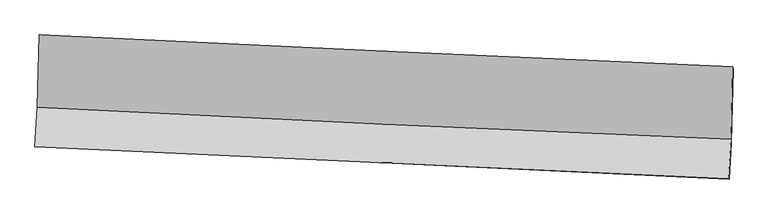
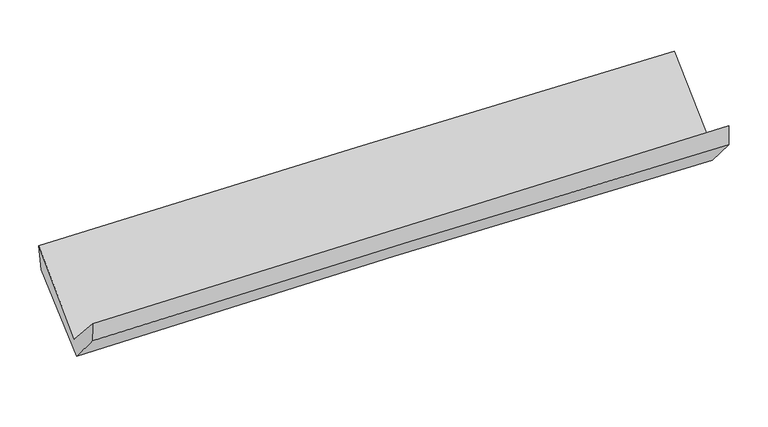
"""IFC4 building model written with IfcOpenShell, lengths in millimetres: proxy geometry."""

import ifcopenshell
import ifcopenshell.guid

model = None  # the IFC model being written
_history = None  # IfcOwnerHistory: only IFC2X3 demands one
_inside = {}  # id of a spatial element -> (the spatial element, [elements in it])
_under = {}  # id of a project, library or spatial element -> (it, [spatial elements below it])
_declared = {}  # id of a project -> (the project, [libraries it declares])
_typed = {}  # id of a type object -> (the type object, [elements of that type])
_made_of = {}  # id of a material, layer set ... -> (it, [elements and type objects made of it])


def new_model(schema):
    """Start an empty IFC model of exactly this schema.

    Asked for "IFC4X3", IfcOpenShell would pick the latest addendum, in which some entities
    have other attributes; the version numbers below select the first issue.
    IFC2X3 requires an IfcOwnerHistory on every rooted entity: one is made here for all.
    """
    global model, _history
    if schema == "IFC4X3":
        model = ifcopenshell.file(schema_version=(4, 3, 0, 0))
    else:
        model = ifcopenshell.file(schema=schema)
    _inside.clear()
    _under.clear()
    _declared.clear()
    _typed.clear()
    _made_of.clear()
    _history = None
    if model.schema == "IFC2X3":
        org = make("IfcOrganization", Name="unknown")
        user = make(
            "IfcPersonAndOrganization",
            ThePerson=make("IfcPerson", FamilyName="unknown"),
            TheOrganization=org,
        )
        app = make(
            "IfcApplication",
            ApplicationDeveloper=org,
            Version="unknown",
            ApplicationFullName="unknown",
            ApplicationIdentifier="unknown",
        )
        _history = make(
            "IfcOwnerHistory",
            OwningUser=user,
            OwningApplication=app,
            ChangeAction="ADDED",
            CreationDate=0,
        )
    return model


def make(cls, **values):
    """One entity of the class cls with the attributes given. An attribute that is None is left unset."""
    return model.create_entity(
        cls, **{name: value for name, value in values.items() if value is not None}
    )


def rooted(cls, **values):
    """An entity with a GlobalId (a new one), such as an element, a storey or a relation."""
    return make(cls, GlobalId=ifcopenshell.guid.new(), OwnerHistory=_history, **values)


def si_unit(unit_type, name, prefix=None):
    """IfcSIUnit, for example si_unit("LENGTHUNIT", "METRE", prefix="MILLI")."""
    return make("IfcSIUnit", UnitType=unit_type, Prefix=prefix, Name=name)


def assignment(units):
    """IfcUnitAssignment: the units of a project."""
    return None if units is None else make("IfcUnitAssignment", Units=units)


def point(xyz):
    """IfcCartesianPoint."""
    return None if xyz is None else make("IfcCartesianPoint", Coordinates=xyz)


def direction(xyz):
    """IfcDirection."""
    return None if xyz is None else make("IfcDirection", DirectionRatios=xyz)


def frame(location, z_axis=None, x_axis=None):
    """IfcAxis2Placement3D, a coordinate frame: its origin and axes. An axis left out is left unset."""
    return make(
        "IfcAxis2Placement3D",
        Location=point(location),
        Axis=direction(z_axis),
        RefDirection=direction(x_axis),
    )


def origin():
    """The frame at (0, 0, 0) with its axes left unset."""
    return frame((0.0, 0.0, 0.0))


def place(relative_to, where):
    """IfcLocalPlacement: puts the frame where relative to a parent placement (None: the world)."""
    return make(
        "IfcLocalPlacement", PlacementRelTo=relative_to, RelativePlacement=where
    )


def context(
    kind, dimensions, precision=None, world=None, true_north=None, identifier=None
):
    """IfcGeometricRepresentationContext, for example the 3D "Model" context."""
    return make(
        "IfcGeometricRepresentationContext",
        ContextIdentifier=identifier,
        ContextType=kind,
        CoordinateSpaceDimension=dimensions,
        Precision=precision,
        WorldCoordinateSystem=world,
        TrueNorth=true_north,
    )


def project(units=None, contexts=None):
    """IfcProject with its units and contexts."""
    return rooted(
        "IfcProject",
        Name="project",
        RepresentationContexts=contexts,
        UnitsInContext=assignment(units),
    )


def spatial(cls, under=None, at=None, **own):
    """A site, building, storey or space (cls), placed at a placement, below another one or the project."""
    s = rooted(cls, ObjectPlacement=at, **own)
    if under is not None:
        _under.setdefault(under.id(), (under, []))[1].append(s)
    return s


def shape(context_of_items, identifier, shape_type, items):
    """IfcShapeRepresentation: the items that make up one representation, for example the "Body"."""
    return make(
        "IfcShapeRepresentation",
        ContextOfItems=context_of_items,
        RepresentationIdentifier=identifier,
        RepresentationType=shape_type,
        Items=items,
    )


def source(mapping_origin, context_of_items, identifier, shape_type, items):
    """IfcRepresentationMap: a shape defined once, which mapped items show again and again."""
    return make(
        "IfcRepresentationMap",
        MappingOrigin=mapping_origin,
        MappedRepresentation=shape(context_of_items, identifier, shape_type, items),
    )


def transform(
    local_origin,
    x_axis=None,
    y_axis=None,
    z_axis=None,
    scale=None,
    scale2=None,
    scale3=None,
    uniform=True,
):
    """IfcCartesianTransformationOperator3D, or its non-uniform kind. x_axis, y_axis, z_axis: its Axis1, 2, 3."""
    if uniform:
        return make(
            "IfcCartesianTransformationOperator3D",
            Axis1=direction(x_axis),
            Axis2=direction(y_axis),
            LocalOrigin=point(local_origin),
            Scale=scale,
            Axis3=direction(z_axis),
        )
    return make(
        "IfcCartesianTransformationOperator3DnonUniform",
        Axis1=direction(x_axis),
        Axis2=direction(y_axis),
        LocalOrigin=point(local_origin),
        Scale=scale,
        Axis3=direction(z_axis),
        Scale2=scale2,
        Scale3=scale3,
    )


def mapped(mapping_source, mapping_target):
    """IfcMappedItem: shows the shape of a source again, moved by a transform."""
    return make(
        "IfcMappedItem", MappingSource=mapping_source, MappingTarget=mapping_target
    )


def made_of(thing, what):
    """Note that an element or type object is made of a material, layer set ...; save() writes the relation."""
    if what is not None:
        _made_of.setdefault(what.id(), (what, []))[1].append(thing)
    return thing


def element(
    cls,
    number,
    at=None,
    inside=None,
    cuts=None,
    type_object=None,
    material=None,
    context=None,
    identifier="Body",
    shape_type=None,
    held_by="IfcProductDefinitionShape",
    body=None,
    shapes=None,
    **own,
):
    """One element of the class cls, such as IfcWall. Its Tag is "e" and its number.

    at: its placement. inside: the storey or other place that contains it. cuts: it is an
    opening in that element (IfcRelVoidsElement). A single representation is given by context,
    identifier, shape_type and body (its items); several are given by shapes. held_by: the class
    of the entity that holds the representations. save() writes the other relations.
    """
    e = rooted(cls, Tag="e%d" % number, ObjectPlacement=at, **own)
    if body is not None:
        shapes = [shape(context, identifier, shape_type, body)]
    if shapes is not None:
        e.Representation = make(held_by, Representations=shapes)
    if inside is not None:
        _inside.setdefault(inside.id(), (inside, []))[1].append(e)
    if cuts is not None:
        rooted(
            "IfcRelVoidsElement", RelatingBuildingElement=cuts, RelatedOpeningElement=e
        )
    if type_object is not None:
        _typed.setdefault(type_object.id(), (type_object, []))[1].append(e)
    return made_of(e, material)


def aggregate(whole, parts):
    """IfcRelAggregates: a whole, such as a stair, and the parts it consists of."""
    return rooted("IfcRelAggregates", RelatingObject=whole, RelatedObjects=parts)


def save(model, path):
    """Write the relations noted so far, then the file.

    IfcRelAggregates (storeys below a building ...), IfcRelContainedInSpatialStructure (elements
    in a storey), IfcRelDefinesByType, IfcRelAssociatesMaterial and IfcRelDeclares: one each for
    every whole, place, type object, material and project.
    """
    for whole, parts in _under.values():
        aggregate(whole, parts)
    for where, things in _inside.values():
        rooted(
            "IfcRelContainedInSpatialStructure",
            RelatedElements=things,
            RelatingStructure=where,
        )
    for kind, things in _typed.values():
        rooted("IfcRelDefinesByType", RelatedObjects=things, RelatingType=kind)
    for what, things in _made_of.values():
        rooted("IfcRelAssociatesMaterial", RelatedObjects=things, RelatingMaterial=what)
    for by, libraries in _declared.values():
        rooted("IfcRelDeclares", RelatingContext=by, RelatedDefinitions=libraries)
    model.write(path)


def plane_surface(at):
    """IfcPlane: the flat surface through the origin of the frame at, square to its z axis."""
    return make("IfcPlane", Position=at)


def spline_curve(degree, points, multiplicities, knots, weights=None):
    """IfcBSplineCurveWithKnots; with weights, IfcRationalBSplineCurveWithKnots."""
    own = dict(
        Degree=degree,
        ControlPointsList=[point(p) for p in points],
        CurveForm="UNSPECIFIED",
        ClosedCurve=False,
        SelfIntersect=False,
        KnotMultiplicities=multiplicities,
        Knots=knots,
        KnotSpec="UNSPECIFIED",
    )
    if weights is None:
        return make("IfcBSplineCurveWithKnots", **own)
    return make("IfcRationalBSplineCurveWithKnots", WeightsData=weights, **own)


def spline_surface(u_degree, v_degree, points, u_multiplicities, v_multiplicities, u_knots, v_knots, weights=None):
    """IfcBSplineSurfaceWithKnots; with weights, IfcRationalBSplineSurfaceWithKnots. points: one row for each step in u."""
    own = dict(
        UDegree=u_degree,
        VDegree=v_degree,
        ControlPointsList=[[point(p) for p in row] for row in points],
        SurfaceForm="UNSPECIFIED",
        UClosed=False,
        VClosed=False,
        SelfIntersect=False,
        UMultiplicities=u_multiplicities,
        VMultiplicities=v_multiplicities,
        UKnots=u_knots,
        VKnots=v_knots,
        KnotSpec="UNSPECIFIED",
    )
    if weights is None:
        return make("IfcBSplineSurfaceWithKnots", **own)
    return make("IfcRationalBSplineSurfaceWithKnots", WeightsData=weights, **own)


def advanced_brep(points, edges, surfaces, faces):
    """IfcAdvancedBrep: a solid bounded by faces that lie on surfaces and meet in shared edges.

    An edge is (start, end): straight between two places in points (the first is 0);
    or (start, end, curve); or (start, end, curve, False) where it runs against its curve.
    A face is (place in surfaces, loops), or (place, loops, False) where it looks against
    its surface's normal. A loop lists edges by number (the first is 1), with a minus sign
    where the edge is run from its end to its start. The first loop is the outer one.
    """
    corners = [point(p) for p in points]
    vertices = [make("IfcVertexPoint", VertexGeometry=c) for c in corners]
    made = []
    for start, end, *more in edges:
        made.append(
            make(
                "IfcEdgeCurve",
                EdgeStart=vertices[start],
                EdgeEnd=vertices[end],
                EdgeGeometry=more[0] if more else make("IfcPolyline", Points=[corners[start], corners[end]]),
                SameSense=more[1] if len(more) > 1 else True,
            )
        )
    hull = []
    for where, loops, *sense in faces:
        bounds = []
        for j, loop in enumerate(loops):
            ring = [make("IfcOrientedEdge", EdgeElement=made[abs(k) - 1], Orientation=k > 0) for k in loop]
            bounds.append(
                make(
                    "IfcFaceOuterBound" if j == 0 else "IfcFaceBound",
                    Bound=make("IfcEdgeLoop", EdgeList=ring),
                    Orientation=True,
                )
            )
        hull.append(make("IfcAdvancedFace", Bounds=bounds, FaceSurface=surfaces[where], SameSense=sense[0] if sense else True))
    return make("IfcAdvancedBrep", Outer=make("IfcClosedShell", CfsFaces=hull))


def generic_models_3a4e0290(model_context):
    return source(origin(), model_context, "Body", "AdvancedBrep", [
        advanced_brep(
        [(-2369.1073025, -1112.866119, 2208.8497728), (-2381.5002263, -1608.1126636, 1756.8067622), (2368.3362958, -1826.6658558, 1817.6763785), (2379.3216334, -1332.5216756, 2252.4501984), (-2398.4245491, -1878.6144726, 2051.9845898), (2351.0733835, -2099.2255675, 2126.9943243), (-2395.6790612, -1876.4487182, 1910.3030686), (2354.2669285, -2099.5530939, 1969.8221058), (-2380.2617072, -1633.640644, 1633.296148), (2369.9732548, -1852.0469523, 1687.4556629), (-2367.1066354, -1143.8426205, 2032.405485), (2381.8775429, -1346.7912762, 2099.0722202)],
        [
            (0, 1),
            (1, 2, spline_curve(3, [(-2381.5002263, -1608.1126636, 1756.8067622), (-1590.103677702, -1649.699955498, 1769.072462878), (-798.600182201, -1688.70579529, 1780.277634344), (784.67864285, -1761.557237526, 1800.567661575), (1576.453988093, -1795.402461636, 1809.652362148), (2368.3362958, -1826.6658558, 1817.6763785)], [4, 2, 4], [0.0, 7.799119146242153, 15.598809134461646])),
            (2, 3),
            (3, 0, spline_curve(3, [(2379.3216334, -1332.5216756, 2252.4501984), (1587.66104722, -1298.393411625, 2253.336107468), (796.113865975, -1263.023934727, 2250.145411269), (-786.695762496, -1189.805234128, 2235.611339409), (-1577.958226711, -1151.956192221, 2224.26856038), (-2369.1073025, -1112.866119, 2208.8497728)], [4, 2, 4], [0.0, 7.799689988219494, 15.598809134461646])),
            (1, 4),
            (4, 5, spline_curve(3, [(-2398.4245491, -1878.6144726, 2051.9845898), (-1606.813121175, -1915.080956083, 2064.399625738), (-815.2303958, -1951.697777255, 2076.857724653), (767.93558592, -2025.234787049, 2101.860963346), (1559.518838068, -2062.154997339, 2114.406109261), (2351.0733835, -2099.2255675, 2126.9943243)], [4, 2, 4], [0.0, 7.800294241503793, 15.601159410993834])),
            (5, 2),
            (4, 6),
            (6, 7, spline_curve(3, [(-2395.6790612, -1876.4487182, 1910.3030686), (-1604.0080811, -1910.0467933, 1927.554318243), (-812.358243407, -1945.43711642, 1941.139815516), (770.957089592, -2019.804979088, 1960.980030942), (1562.622581817, -2058.782781593, 1967.23421283), (2354.2669285, -2099.5530939, 1969.8221058)], [4, 2, 4], [0.0, 7.8005596293321044, 15.601690206075023])),
            (7, 5),
            (6, 8),
            (8, 9, spline_curve(3, [(-2380.2617072, -1633.640644, 1633.296148), (-1588.641928799, -1668.021517789, 1651.44049477), (-796.99361373, -1703.411777257, 1665.025962865), (786.41803624, -1776.213732147, 1683.079802019), (1578.181374892, -1813.625575469, 1687.547505424), (2369.9732548, -1852.0469523, 1687.4556629)], [4, 2, 4], [0.0, 7.800963480464541, 15.602497937899027])),
            (9, 7),
            (8, 10),
            (10, 11, spline_curve(3, [(-2367.1066354, -1143.8426205, 2032.405485), (-1575.816194729, -1180.777094664, 2048.455224906), (-784.436778837, -1216.156157695, 2062.035543251), (798.557934489, -1283.805937564, 2084.25814979), (1590.17324448, -1316.076426207, 2092.900076717), (2381.8775429, -1346.7912762, 2099.0722202)], [4, 2, 4], [0.0, 7.799450621188238, 15.599472108615508])),
            (11, 9),
            (10, 0),
            (3, 11),
        ],
        [
            spline_surface(3, 3, [[(-2369.1073025, -1112.866119, 2208.8497728), (-1577.958226805, -1151.956192209, 2224.268560476), (-786.695762604, -1189.805234155, 2235.611339404), (796.113866083, -1263.0239347, 2250.145411274), (1587.66104721, -1298.393411617, 2253.336107592), (2379.3216334, -1332.5216756, 2252.4501984)], [(-2373.238277093, -1277.948300523, 2058.168769257), (-1582.006710422, -1317.870779965, 2072.536527899), (-790.66390247, -1356.105421268, 2083.833437713), (792.302124995, -1429.201702294, 2100.286161406), (1583.925360833, -1464.063094926, 2105.441525809), (2375.659854197, -1497.236402339, 2107.525591767)], [(-2377.369251707, -1443.030482077, 1907.487765743), (-1586.05519406, -1483.785367753, 1920.804495351), (-794.63204232, -1522.405608301, 1932.05553598), (788.490383923, -1595.379469807, 1950.426911497), (1580.189674466, -1629.732778219, 1957.546944024), (2371.998075003, -1661.951129061, 1962.600985133)], [(-2381.5002263, -1608.1126636, 1756.8067622), (-1590.103677677, -1649.699955509, 1769.072462775), (-798.600182185, -1688.705795414, 1780.277634289), (784.678642835, -1761.557237401, 1800.567661629), (1576.45398809, -1795.402461527, 1809.652362241), (2368.3362958, -1826.6658558, 1817.6763785)]], [4, 4], [4, 2, 4], [0.0, 2.20956892948727], [0.0, 7.799119146242153, 15.598809134461646]),
            spline_surface(3, 3, [[(-2381.5002263, -1608.1126636, 1756.8067622), (-1590.103677677, -1649.699955509, 1769.072462775), (-798.600182185, -1688.705795414, 1780.277634289), (784.678642835, -1761.557237401, 1800.567661629), (1576.45398809, -1795.402461527, 1809.652362241), (2368.3362958, -1826.6658558, 1817.6763785)], [(-2387.141667256, -1698.279933264, 1855.199371405), (-1595.673492171, -1738.160289002, 1867.51485047), (-804.14358671, -1776.369789367, 1879.137664454), (779.097623881, -1849.449753902, 1900.998762185), (1570.80893812, -1884.319973419, 1911.236944571), (2362.581991699, -1917.519093018, 1920.782360437)], [(-2392.783108144, -1788.447202936, 1953.591980595), (-1601.243306595, -1826.620622501, 1965.95723815), (-809.686991282, -1864.033783384, 1977.997694578), (773.516604881, -1937.342270467, 2001.429862701), (1565.163888152, -1973.237485356, 2012.821526891), (2356.827687601, -2008.372330282, 2023.888342363)], [(-2398.4245491, -1878.6144726, 2051.9845898), (-1606.813121089, -1915.080955994, 2064.399625845), (-815.230395807, -1951.697777337, 2076.857724742), (767.935585927, -2025.234786967, 2101.860963257), (1559.518838182, -2062.154997247, 2114.406109221), (2351.0733835, -2099.2255675, 2126.9943243)]], [4, 4], [4, 2, 4], [0.0, 1.3081746168636967], [0.0, 7.800294241503793, 15.601159410993834]),
            spline_surface(3, 3, [[(-2398.4245491, -1878.6144726, 2051.9845898), (-1606.813121089, -1915.080955994, 2064.399625845), (-815.230395807, -1951.697777337, 2076.857724742), (767.935585927, -2025.234786967, 2101.860963257), (1559.518838182, -2062.154997247, 2114.406109221), (2351.0733835, -2099.2255675, 2126.9943243)], [(-2397.509386461, -1877.892554471, 2004.757416072), (-1605.878107774, -1913.402901809, 2018.784523289), (-814.273011672, -1949.610890358, 2031.618421615), (768.942753814, -2023.424851063, 2054.900652518), (1560.553419369, -2061.03092533, 2065.348810461), (2352.137898503, -2099.334742954, 2074.603584796)], [(-2396.594223839, -1877.170636329, 1957.530242328), (-1604.943094477, -1911.724847612, 1973.169420717), (-813.315627537, -1947.524003307, 1986.379118517), (769.949921701, -2021.614915085, 2007.940341807), (1561.588000549, -2059.906853451, 2016.291511714), (2353.202413497, -2099.443918446, 2022.212845304)], [(-2395.6790612, -1876.4487182, 1910.3030686), (-1604.008081163, -1910.046793426, 1927.554318162), (-812.358243402, -1945.437116328, 1941.13981539), (770.957089588, -2019.804979181, 1960.980031068), (1562.622581737, -2058.782781534, 1967.234212954), (2354.2669285, -2099.5530939, 1969.8221058)]], [4, 4], [4, 2, 4], [0.0, 0.45424685441846907], [0.0, 7.8005596293321044, 15.601690206075023]),
            spline_surface(3, 3, [[(-2395.6790612, -1876.4487182, 1910.3030686), (-1604.008081163, -1910.046793426, 1927.554318162), (-812.358243402, -1945.437116328, 1941.13981539), (770.957089588, -2019.804979181, 1960.980031068), (1562.622581737, -2058.782781534, 1967.234212954), (2354.2669285, -2099.5530939, 1969.8221058)], [(-2390.539943192, -1795.512693459, 1817.967428381), (-1598.886030398, -1829.371701512, 1835.51637705), (-807.236700151, -1864.762003282, 1849.101864558), (776.110738448, -1938.607896852, 1868.346621354), (1567.808846144, -1977.063712854, 1874.005310495), (2359.502370607, -2017.051046709, 1875.699958187)], [(-2385.400825208, -1714.576668741, 1725.631788219), (-1593.763979658, -1748.69660962, 1743.478435994), (-802.115156905, -1784.086890245, 1757.063913758), (781.264387303, -1857.410814534, 1775.713211671), (1572.995110528, -1895.344644147, 1780.776407975), (2364.737812693, -1934.548999491, 1781.577810513)], [(-2380.2617072, -1633.640644, 1633.296148), (-1588.641928893, -1668.021517705, 1651.440494883), (-796.993613653, -1703.411777199, 1665.025962927), (786.418036164, -1776.213732206, 1683.079801957), (1578.181374935, -1813.625575467, 1687.547505516), (2369.9732548, -1852.0469523, 1687.4556629)]], [4, 4], [4, 2, 4], [0.0, 1.2095864758644577], [0.0, 7.800963480464541, 15.602497937899027]),
            spline_surface(3, 3, [[(-2380.2617072, -1633.640644, 1633.296148), (-1588.641928893, -1668.021517705, 1651.440494883), (-796.993613653, -1703.411777199, 1665.025962927), (786.418036164, -1776.213732206, 1683.079801957), (1578.181374935, -1813.625575467, 1687.547505516), (2369.9732548, -1852.0469523, 1687.4556629)], [(-2375.876683283, -1470.37463617, 1766.332593679), (-1584.36668419, -1505.606710046, 1783.778738252), (-792.808002011, -1540.993237388, 1797.362489722), (790.4646689, -1612.077800595, 1816.805917928), (1582.178664777, -1647.775859055, 1822.665029196), (2373.941350848, -1683.628393607, 1824.661181985)], [(-2371.491659317, -1307.10862833, 1899.369039321), (-1580.091439437, -1343.191902378, 1916.116981585), (-788.622390366, -1378.574697636, 1929.699016447), (794.51130164, -1447.941869044, 1950.532033829), (1586.175954574, -1481.926142621, 1957.782552921), (2377.909446852, -1515.209834893, 1961.866701115)], [(-2367.1066354, -1143.8426205, 2032.405485), (-1575.816194733, -1180.777094719, 2048.455224954), (-784.436778724, -1216.156157825, 2062.035543242), (798.557934377, -1283.805937434, 2084.2581498), (1590.173244415, -1316.076426209, 2092.900076602), (2381.8775429, -1346.7912762, 2099.0722202)]], [4, 4], [4, 2, 4], [0.0, 2.0733347649275893], [0.0, 7.799450621188238, 15.599472108615508]),
            spline_surface(3, 3, [[(-2367.1066354, -1143.8426205, 2032.405485), (-1575.816194733, -1180.777094719, 2048.455224954), (-784.436778724, -1216.156157825, 2062.035543242), (798.557934377, -1283.805937434, 2084.2581498), (1590.173244415, -1316.076426209, 2092.900076602), (2381.8775429, -1346.7912762, 2099.0722202)], [(-2367.773524415, -1133.517120013, 2091.220247606), (-1576.530205405, -1171.170127229, 2107.059670134), (-785.189773361, -1207.372516595, 2119.894141932), (797.743244935, -1276.878603183, 2139.553903594), (1589.335845326, -1310.182088017, 2146.378753593), (2381.025573045, -1342.034742672, 2150.198212928)], [(-2368.440413485, -1123.191619487, 2150.035010194), (-1577.244216133, -1161.563159699, 2165.664115296), (-785.942767967, -1198.588875385, 2177.752740714), (796.928555525, -1269.951268952, 2194.84965748), (1588.498446299, -1304.287749808, 2199.857430601), (2380.173603255, -1337.278209128, 2201.324205672)], [(-2369.1073025, -1112.866119, 2208.8497728), (-1577.958226805, -1151.956192209, 2224.268560476), (-786.695762604, -1189.805234155, 2235.611339404), (796.113866083, -1263.0239347, 2250.145411274), (1587.66104721, -1298.393411617, 2253.336107592), (2379.3216334, -1332.5216756, 2252.4501984)]], [4, 4], [4, 2, 4], [0.0, 0.5622558896583929], [0.0, 7.797912858772365, 15.596396471230111]),
            plane_surface(frame((2367.4748398, -1759.4674036, 1992.2451483), z_axis=(0.9989861077804711, -0.04014147770118568, 0.02038181124410811), x_axis=(0.018263498924133325, 0.7751607138657582, 0.6315000493160522))),
            plane_surface(frame((-2382.013247, -1542.2542063, 1932.2743044), z_axis=(-0.9989390177380184, 0.04207874926774276, -0.018714104324423053), x_axis=(0.011167307184315753, -0.17290438625366952, -0.9848753040179721))),
        ],
        [
            (0, [[1, 2, 3, 4]]),
            (1, [[5, 6, 7, -2]]),
            (2, [[8, 9, 10, -6]]),
            (3, [[11, 12, 13, -9]]),
            (4, [[14, 15, 16, -12]]),
            (5, [[17, -4, 18, -15]]),
            (6, [[-16, -18, -3, -7, -10, -13]]),
            (7, [[-17, -14, -11, -8, -5, -1]]),
        ],
    ),
    ])


if __name__ == "__main__":
    model = new_model("IFC4")
    model_context = context("Model", 3, world=origin())
    ifc_project = project(units=[si_unit("LENGTHUNIT", "METRE", prefix="MILLI")], contexts=[model_context])
    site = spatial("IfcSite", under=ifc_project)
    building = spatial("IfcBuilding", under=site)
    placement = place(None, origin())
    generic_models_shape = generic_models_3a4e0290(model_context)
    element("IfcBuildingElementProxy", 1, Name="Generic Models", at=placement, inside=building, context=model_context, shape_type="MappedRepresentation", body=[
        mapped(generic_models_shape, transform((0.0, 0.0, 0.0), x_axis=(1.0, 0.0, 0.0), y_axis=(0.0, 1.0, 0.0), z_axis=(0.0, 0.0, 1.0))),
    ])
    save(model, "model.ifc")
